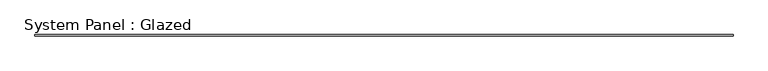
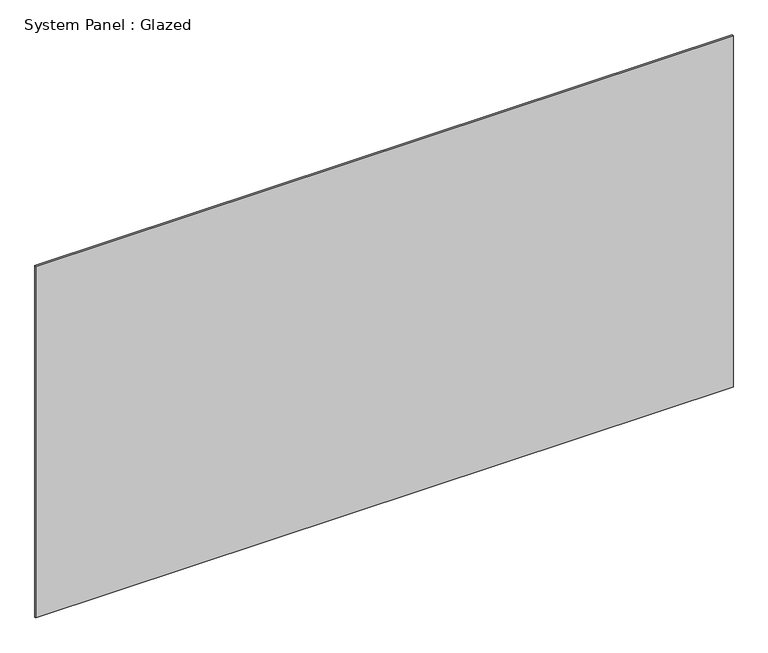
"""IFC4 building model written with IfcOpenShell, lengths in millimetres: plate geometry, System Panel : Glazed."""

from ifc_helpers import new_model, si_unit, origin, origin_with_axes, place, context, project, spatial, polyline, outline, extrude, source, transform, mapped, element, save


def system_panel_glazed_fd724fc9(model_context):
    return source(origin(), model_context, "Body", "SweptSolid", [
        extrude(outline(polyline([(7500.0, -49.5), (-7500.0, -49.5), (-7500.0, -24.5), (7500.0, -24.5), (7500.0, -49.5)])), origin_with_axes(), (0.0, 0.0, 1.0), 8000.0),
    ])


if __name__ == "__main__":
    model = new_model("IFC4")
    model_context = context("Model", 3, world=origin())
    ifc_project = project(units=[si_unit("LENGTHUNIT", "METRE", prefix="MILLI")], contexts=[model_context])
    site = spatial("IfcSite", under=ifc_project)
    building = spatial("IfcBuilding", under=site)
    placement = place(None, origin())
    system_panel_glazed_shape = system_panel_glazed_fd724fc9(model_context)
    element("IfcPlate", 1, ObjectType="System Panel : Glazed", at=placement, inside=building, context=model_context, shape_type="MappedRepresentation", body=[
        mapped(system_panel_glazed_shape, transform((0.0, 0.0, 0.0), x_axis=(1.0, 0.0, 0.0), y_axis=(0.0, 1.0, 0.0), z_axis=(0.0, 0.0, 1.0))),
    ])
    save(model, "model.ifc")
